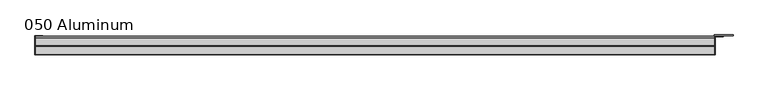
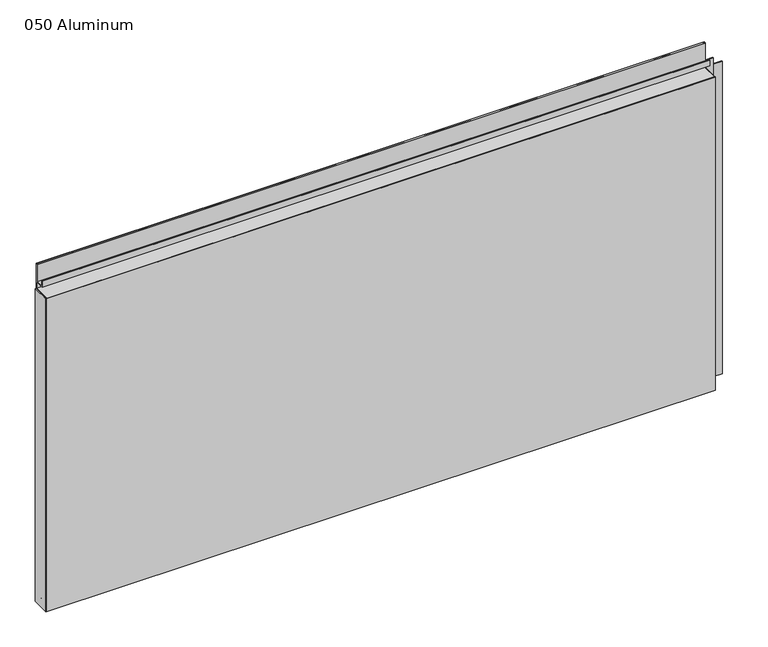
"""IFC4 building model written with IfcOpenShell, lengths in millimetres: plate geometry, 050 Aluminum."""

from ifc_helpers import new_model, si_unit, point, frame, frame_2d, origin, origin_with_axes, place, context, project, spatial, polyline, circle_curve, trimmed, segment, composite_curve, outline, extrude, source, transform, mapped, element, save


def plate_050_aluminum_d76a991c(model_context):
    return source(origin(), model_context, "Body", "SweptSolid", [
        extrude(outline(polyline([(-621.03, -2.5660257), (-621.03, -34.7980001), (-622.2999999, -34.7980001), (-622.2999999, -1.2699999), (-608.1394994, -1.2699999), (-608.1394994, -2.5660257), (-621.03, -2.5660257)])), origin_with_axes(), (0.0, 0.0, 1.0), 608.33),
        extrude(outline(composite_curve([segment(polyline([(-16.6765477, 13.1458337), (-16.6765477, 2.786437), (-17.9464915, 2.786437), (-17.9464915, 13.1323356)]), True, "CONTINUOUS"), segment(trimmed(circle_curve(frame_2d((-19.8514743, 13.124237)), 1.905), [point((-17.9464915, 13.1323356))], [point((-21.7564743, 13.124237))], True, "CARTESIAN"), True, "CONTINUOUS"), segment(polyline([(-21.7564743, 13.124237), (-21.7564743, 0.0), (-34.7980002, 0.0), (-34.7980002, 1.2693678), (-23.0264743, 1.2693678), (-23.0264743, 13.124237)]), True, "CONTINUOUS"), segment(trimmed(circle_curve(frame_2d((-19.8514743, 13.124237)), 3.175), [point((-23.0264743, 13.124237))], [point((-16.6765477, 13.1458337))], False, "CARTESIAN"), True, "CONTINUOUS")], self_intersect=False)), frame((-621.03, 0.0, 0.0), z_axis=(1.0, 0.0, 0.0), x_axis=(0.0, 1.0, 0.0)), (0.0, 0.0, 1.0), 1229.36),
        extrude(outline(composite_curve([segment(polyline([(-2.0574743, 656.7932001), (-2.0574743, 608.33), (-34.7980002, 608.33), (-34.7980002, 609.6000001), (-3.3274743, 609.6000001), (-3.3274743, 656.7932001)]), True, "CONTINUOUS"), segment(trimmed(circle_curve(frame_2d((-3.7084742, 656.7932001)), 0.3809999), [point((-3.3274743, 656.7932001))], [point((-4.0894742, 656.7932001))], True, "CARTESIAN"), True, "CONTINUOUS"), segment(polyline([(-4.0894742, 656.7932001), (-4.0894742, 622.3), (-20.4864742, 622.3), (-20.4864742, 633.6538), (-19.2164743, 633.6538), (-19.2164743, 623.57), (-5.3594742, 623.57), (-5.3594742, 656.7932001)]), True, "CONTINUOUS"), segment(trimmed(circle_curve(frame_2d((-3.7084742, 656.7932001)), 1.6509999), [point((-5.3594742, 656.7932001))], [point((-2.0574743, 656.7932001))], False, "CARTESIAN"), True, "CONTINUOUS")], self_intersect=False)), frame((-621.03, 0.0, 0.0), z_axis=(1.0, 0.0, 0.0), x_axis=(0.0, 1.0, 0.0)), (0.0, 0.0, 1.0), 1229.36),
        extrude(outline(polyline([(-622.3, -36.068), (-622.3, -34.7980001), (609.6, -34.7980001), (609.6, -36.068), (-622.3, -36.068)])), origin_with_axes(), (0.0, 0.0, 1.0), 609.6),
        extrude(outline(polyline([(609.6, -1.2699999), (609.6, -34.7980002), (608.3300001, -34.7980002), (608.3300001, 0.0), (642.1120856, 0.0), (642.1120856, -1.2699999), (609.6, -1.2699999)])), origin_with_axes(), (0.0, 0.0, 1.0), 608.33),
        extrude(outline(polyline([(608.33, -3.3274743), (608.33, -2.0574743), (624.0779999, -2.0574743), (624.0779999, -3.3274743), (608.33, -3.3274743)])), origin_with_axes(), (0.0, 0.0, 1.0), 622.3),
    ])


if __name__ == "__main__":
    model = new_model("IFC4")
    model_context = context("Model", 3, world=origin())
    ifc_project = project(units=[si_unit("LENGTHUNIT", "METRE", prefix="MILLI")], contexts=[model_context])
    site = spatial("IfcSite", under=ifc_project)
    building = spatial("IfcBuilding", under=site)
    placement = place(None, origin())
    plate_050_aluminum_shape = plate_050_aluminum_d76a991c(model_context)
    element("IfcPlate", 1, ObjectType="050 Aluminum", at=placement, inside=building, context=model_context, shape_type="MappedRepresentation", body=[
        mapped(plate_050_aluminum_shape, transform((0.0, 0.0, 0.0), x_axis=(1.0, 0.0, 0.0), y_axis=(0.0, 1.0, 0.0), z_axis=(0.0, 0.0, 1.0))),
    ])
    save(model, "model.ifc")
